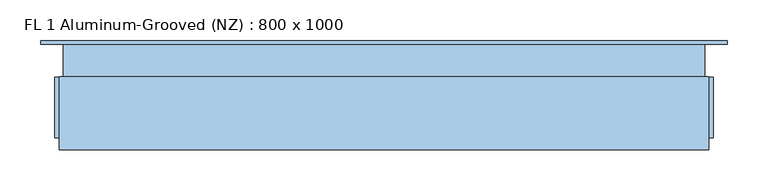
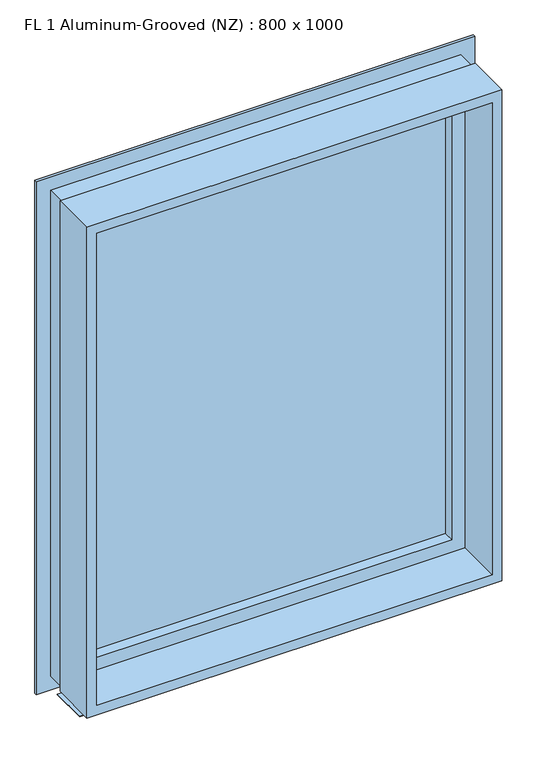
"""IFC4 building model written with IfcOpenShell, lengths in millimetres: window geometry, FL 1 Aluminum-Grooved (NZ) : 800 x 1000."""

from ifc_helpers import new_model, si_unit, frame, origin, place, context, project, spatial, polyline, outline, extrude, faceted_brep, source, transform, mapped, element, save


def fl_1_aluminum_grooved_nz_800_x_1000_f11aff51(model_context):
    return source(origin(), model_context, "Body", "SolidModel", [
        extrude(outline(polyline([(905.0, -205.0), (905.0, 595.0), (1905.0, 595.0), (1905.0, -205.0), (905.0, -205.0)]), holes=[polyline([(1886.0, -186.0), (1886.0, 576.0), (924.0, 576.0), (924.0, -186.0), (1886.0, -186.0)])]), frame((0.0, -72.5, 0.0), z_axis=(0.0, 1.0, 0.0), x_axis=(0.0, 0.0, 1.0)), (0.0, 0.0, 1.0), 89.6525754),
        faceted_brep([(-200.0, 57.1525754, 910.0), (-200.0, 17.1525754, 910.0), (-200.0, 17.1525754, 1900.0), (-200.0, 57.1525754, 1900.0), (-227.6806291, 61.9260647, 882.3193709), (-227.6806291, 57.1525754, 882.3193709), (-227.6806291, 57.1525754, 1927.6806291), (-227.6806291, 61.9260647, 1927.6806291), (-194.9666646, 57.1525754, 915.0333354), (-194.9666646, 61.9260647, 915.0333354), (-194.9666646, 61.9260647, 1894.9666646), (-194.9666646, 57.1525754, 1894.9666646), (-160.0, 42.5, 950.0), (-174.6155491, 57.1525754, 935.3844509), (-174.6155491, 57.1525754, 1874.6155491), (-160.0, 42.5, 1860.0), (-160.0, 17.1525754, 950.0), (-160.0, 17.1525754, 1860.0), (590.0, 17.1525754, 1900.0), (590.0, 57.1525754, 1900.0), (617.6806291, 57.1525754, 1927.6806291), (617.6806291, 61.9260647, 1927.6806291), (584.9666646, 61.9260647, 1894.9666646), (584.9666646, 57.1525754, 1894.9666646), (564.6155491, 57.1525754, 1874.6155491), (550.0, 42.5, 1860.0), (550.0, 17.1525754, 1860.0), (590.0, 17.1525754, 910.0), (590.0, 57.1525754, 910.0), (617.6806291, 57.1525754, 882.3193709), (617.6806291, 61.9260647, 882.3193709), (584.9666646, 61.9260647, 915.0333354), (584.9666646, 57.1525754, 915.0333354), (564.6155491, 57.1525754, 935.3844509), (550.0, 42.5, 950.0), (550.0, 17.1525754, 950.0)], [[[0, 1, 2, 3]], [[4, 5, 6, 7]], [[8, 9, 10, 11]], [[12, 13, 14, 15]], [[16, 12, 15, 17]], [[3, 2, 18, 19]], [[7, 6, 20, 21]], [[11, 10, 22, 23]], [[15, 14, 24, 25]], [[17, 15, 25, 26]], [[19, 18, 27, 28]], [[21, 20, 29, 30]], [[23, 22, 31, 32]], [[25, 24, 33, 34]], [[26, 25, 34, 35]], [[28, 27, 1, 0]], [[5, 29, 20, 6], [3, 19, 28, 0]], [[30, 29, 5, 4]], [[7, 21, 30, 4], [9, 31, 22, 10]], [[32, 31, 9, 8]], [[11, 23, 32, 8], [13, 33, 24, 14]], [[34, 33, 13, 12]], [[35, 34, 12, 16]], [[1, 27, 18, 2], [17, 26, 35, 16]]]),
        extrude(outline(polyline([(550.0, 37.5), (-160.0, 37.5), (-160.0, 42.5), (550.0, 42.5), (550.0, 37.5)])), frame((0.0, 0.0, 950.0), z_axis=(0.0, 0.0, 1.0), x_axis=(1.0, 0.0, 0.0)), (0.0, 0.0, 1.0), 910.0),
        extrude(outline(polyline([(600.0, -57.5), (-210.0, -57.5), (-210.0, 17.1525754), (600.0, 17.1525754), (600.0, -57.5)])), frame((0.0, 0.0, 900.0), z_axis=(0.0, 0.0, 1.0), x_axis=(1.0, 0.0, 0.0)), (0.0, 0.0, 1.0), 1.0),
    ])


if __name__ == "__main__":
    model = new_model("IFC4")
    model_context = context("Model", 3, world=origin())
    ifc_project = project(units=[si_unit("LENGTHUNIT", "METRE", prefix="MILLI")], contexts=[model_context])
    site = spatial("IfcSite", under=ifc_project)
    building = spatial("IfcBuilding", under=site)
    placement = place(None, origin())
    fl_1_aluminum_grooved_nz_800_x_1000_shape = fl_1_aluminum_grooved_nz_800_x_1000_f11aff51(model_context)
    element("IfcWindow", 1, ObjectType="FL 1 Aluminum-Grooved (NZ) : 800 x 1000", at=placement, inside=building, context=model_context, shape_type="MappedRepresentation", body=[
        mapped(fl_1_aluminum_grooved_nz_800_x_1000_shape, transform((0.0, 0.0, 0.0), x_axis=(1.0, 0.0, 0.0), y_axis=(0.0, 1.0, 0.0), z_axis=(0.0, 0.0, 1.0))),
    ])
    save(model, "model.ifc")
